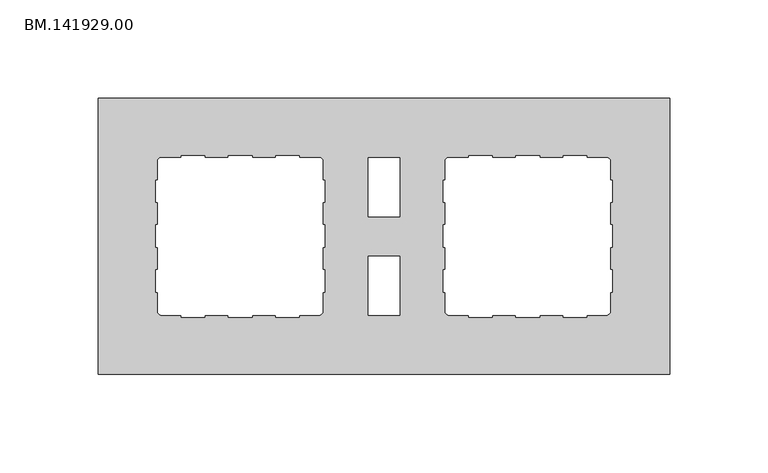
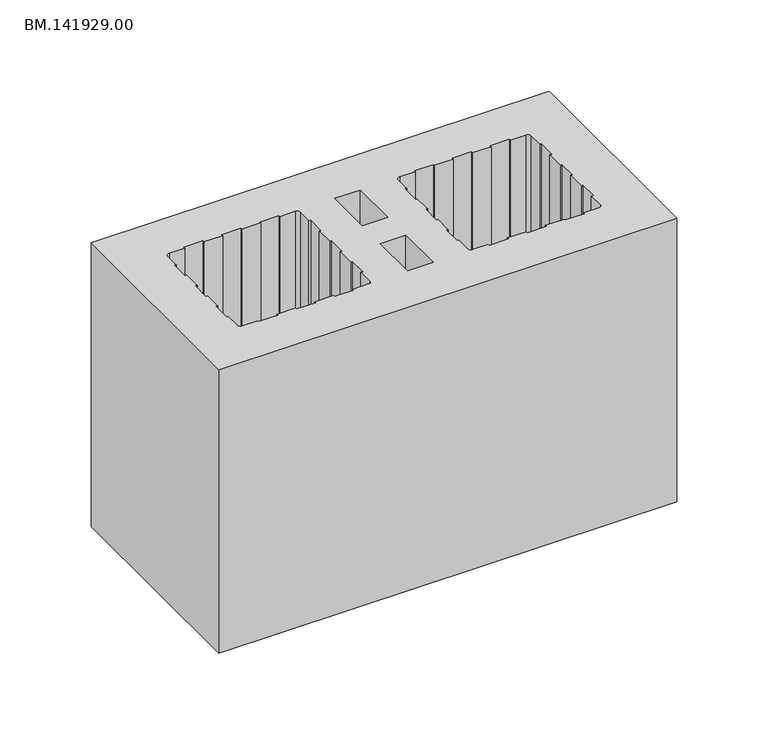
"""IFC4 building model written with IfcOpenShell, lengths in millimetres: proxy geometry, BM.141929.00."""

from ifc_helpers import new_model, si_unit, point, frame_2d, origin, origin_with_axes, place, context, project, spatial, polyline, circle_curve, trimmed, segment, composite_curve, outline, extrude, source, transform, mapped, element, save


def bm_141929_00_c03be93c(model_context):
    return source(origin(), model_context, "Body", "SweptSolid", [
        extrude(outline(polyline([(295.0, 70.0050293), (295.0, -70.0050293), (5.0, -70.0050293), (5.0, 70.0050293), (295.0, 70.0050293)]), holes=[composite_curve([segment(polyline([(119.0023438, 28.5936035), (119.0023438, 37.9883789)]), True, "CONTINUOUS"), segment(trimmed(circle_curve(frame_2d((116.9931641, 37.9883789)), 2.0091797), [point((119.0023438, 37.9883789))], [point((116.9931641, 39.9975586))], True, "CARTESIAN"), True, "CONTINUOUS"), segment(polyline([(116.9931641, 39.9975586), (107.0030762, 39.9975586), (107.0030762, 41.0021484), (95.0038086, 41.0021484), (95.0038086, 39.9975586), (83.004541, 39.9975586), (83.004541, 41.0021484), (71.0052734, 41.0021484), (71.0052734, 39.9975586), (59.0060059, 39.9975586), (59.0060059, 41.0021484), (47.0067383, 41.0021484), (47.0067383, 39.9975586), (37.0166504, 39.9975586)]), True, "CONTINUOUS"), segment(trimmed(circle_curve(frame_2d((37.0166504, 37.9883789)), 2.0091797), [point((37.0166504, 39.9975586))], [point((35.0074707, 37.9883789))], True, "CARTESIAN"), True, "CONTINUOUS"), segment(polyline([(35.0074707, 37.9883789), (35.0074707, 28.5936035), (34.0028809, 28.5936035), (34.0028809, 17.1896484), (35.0074707, 17.1896484), (35.0074707, 5.8042969), (34.0028809, 5.8042969), (34.0028809, -5.5996582), (35.0074707, -5.5996582), (35.0074707, -17.0036133), (34.0028809, -17.0036133), (34.0028809, -28.4075684), (35.0074707, -28.4075684), (35.0074707, -37.9883789)]), True, "CONTINUOUS"), segment(trimmed(circle_curve(frame_2d((37.0166504, -37.9883789)), 2.0091797), [point((35.0074707, -37.9883789))], [point((37.0166504, -39.9975586))], True, "CARTESIAN"), True, "CONTINUOUS"), segment(polyline([(37.0166504, -39.9975586), (47.0067383, -39.9975586), (47.0067383, -41.0021484), (59.0060059, -41.0021484), (59.0060059, -39.9975586), (71.0052734, -39.9975586), (71.0052734, -41.0021484), (83.004541, -41.0021484), (83.004541, -39.9975586), (95.0038086, -39.9975586), (95.0038086, -41.0021484), (107.0030762, -41.0021484), (107.0030762, -39.9975586), (116.9931641, -39.9975586)]), True, "CONTINUOUS"), segment(trimmed(circle_curve(frame_2d((116.9931641, -37.9883789)), 2.0091797), [point((116.9931641, -39.9975586))], [point((119.0023438, -37.9883789))], True, "CARTESIAN"), True, "CONTINUOUS"), segment(polyline([(119.0023438, -37.9883789), (119.0023438, -28.4075684), (120.0069336, -28.4075684), (120.0069336, -17.0036133), (119.0023438, -17.0036133), (119.0023438, -5.5996582), (120.0069336, -5.5996582), (120.0069336, 5.8042969), (119.0023438, 5.8042969), (119.0023438, 17.1896484), (120.0069336, 17.1896484), (120.0069336, 28.5936035), (119.0023438, 28.5936035)]), True, "CONTINUOUS")], self_intersect=False), polyline([(157.9953125, 39.9975586), (141.9962891, 39.9975586), (141.9962891, 9.9900879), (157.9953125, 9.9900879), (157.9953125, 39.9975586)]), polyline([(157.9953125, -10.0086914), (141.9962891, -10.0086914), (141.9962891, -39.9975586), (157.9953125, -39.9975586), (157.9953125, -10.0086914)]), composite_curve([segment(polyline([(180.9892578, 28.5936035), (179.984668, 28.5936035), (179.984668, 17.1896484), (180.9892578, 17.1896484), (180.9892578, 5.8042969), (179.984668, 5.8042969), (179.984668, -5.5996582), (180.9892578, -5.5996582), (180.9892578, -17.0036133), (179.984668, -17.0036133), (179.984668, -28.4075684), (180.9892578, -28.4075684), (180.9892578, -37.9883789)]), True, "CONTINUOUS"), segment(trimmed(circle_curve(frame_2d((182.9984375, -37.9883789)), 2.0091797), [point((180.9892578, -37.9883789))], [point((182.9984375, -39.9975586))], True, "CARTESIAN"), True, "CONTINUOUS"), segment(polyline([(182.9984375, -39.9975586), (192.9885254, -39.9975586), (192.9885254, -41.0021484), (204.987793, -41.0021484), (204.987793, -39.9975586), (216.9870605, -39.9975586), (216.9870605, -41.0021484), (228.9863281, -41.0021484), (228.9863281, -39.9975586), (240.9855957, -39.9975586), (240.9855957, -41.0021484), (252.9848633, -41.0021484), (252.9848633, -39.9975586), (262.9749512, -39.9975586)]), True, "CONTINUOUS"), segment(trimmed(circle_curve(frame_2d((262.9749512, -37.9883789)), 2.0091797), [point((262.9749512, -39.9975586))], [point((264.9841309, -37.9883789))], True, "CARTESIAN"), True, "CONTINUOUS"), segment(polyline([(264.9841309, -37.9883789), (264.9841309, -28.4075684), (265.9887207, -28.4075684), (265.9887207, -17.0036133), (264.9841309, -17.0036133), (264.9841309, -5.5996582), (265.9887207, -5.5996582), (265.9887207, 5.8042969), (264.9841309, 5.8042969), (264.9841309, 17.1896484), (265.9887207, 17.1896484), (265.9887207, 28.5936035), (264.9841309, 28.5936035), (264.9841309, 37.9883789)]), True, "CONTINUOUS"), segment(trimmed(circle_curve(frame_2d((262.9749512, 37.9883789)), 2.0091797), [point((264.9841309, 37.9883789))], [point((262.9749512, 39.9975586))], True, "CARTESIAN"), True, "CONTINUOUS"), segment(polyline([(262.9749512, 39.9975586), (252.9848633, 39.9975586), (252.9848633, 41.0021484), (240.9855957, 41.0021484), (240.9855957, 39.9975586), (228.9863281, 39.9975586), (228.9863281, 41.0021484), (216.9870605, 41.0021484), (216.9870605, 39.9975586), (204.987793, 39.9975586), (204.987793, 41.0021484), (192.9885254, 41.0021484), (192.9885254, 39.9975586), (182.9984375, 39.9975586)]), True, "CONTINUOUS"), segment(trimmed(circle_curve(frame_2d((182.9984375, 37.9883789)), 2.0091797), [point((182.9984375, 39.9975586))], [point((180.9892578, 37.9883789))], True, "CARTESIAN"), True, "CONTINUOUS"), segment(polyline([(180.9892578, 37.9883789), (180.9892578, 28.5936035)]), True, "CONTINUOUS")], self_intersect=False)]), origin_with_axes(), (0.0, 0.0, 1.0), 190.0),
    ])


if __name__ == "__main__":
    model = new_model("IFC4")
    model_context = context("Model", 3, world=origin())
    ifc_project = project(units=[si_unit("LENGTHUNIT", "METRE", prefix="MILLI")], contexts=[model_context])
    site = spatial("IfcSite", under=ifc_project)
    building = spatial("IfcBuilding", under=site)
    placement = place(None, origin())
    bm_141929_00_shape = bm_141929_00_c03be93c(model_context)
    element("IfcBuildingElementProxy", 1, Name="BM.141929.00", ObjectType="BM.141929.00", at=placement, inside=building, context=model_context, shape_type="MappedRepresentation", body=[
        mapped(bm_141929_00_shape, transform((0.0, 0.0, 0.0), x_axis=(1.0, 0.0, 0.0), y_axis=(0.0, 1.0, 0.0), z_axis=(0.0, 0.0, 1.0))),
    ])
    save(model, "model.ifc")
